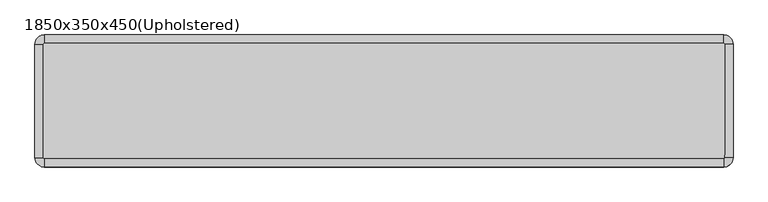
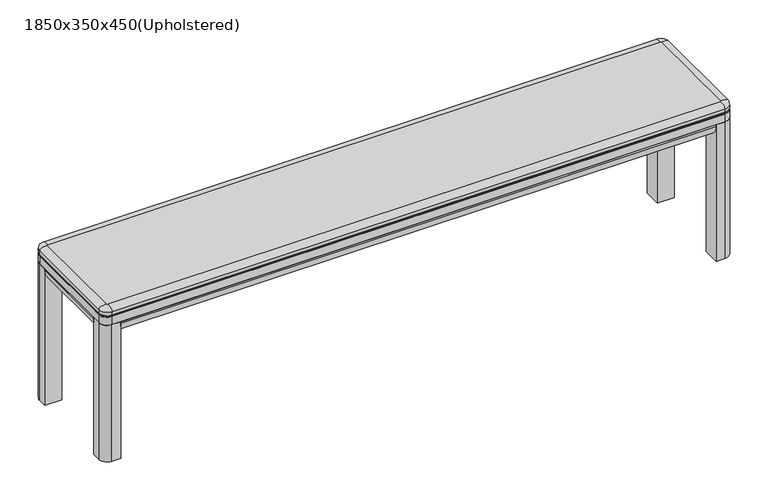
"""IFC4 building model written with IfcOpenShell, lengths in millimetres: furniture geometry, 1850x350x450(Upholstered)."""

from ifc_helpers import new_model, si_unit, point, frame, frame_2d, origin, origin_with_axes, place, context, project, spatial, polyline, circle_curve, ellipse_curve, trimmed, segment, composite_curve, outline, extrude, source, transform, mapped, element, save
from ifc_brep_helpers import plane_surface, cylinder_surface, revolved_surface, extruded_surface, spline_curve, advanced_brep


def furniture_1850x350x450_upholstered_fc9d191e(model_context):
    return source(origin(), model_context, "Body", "SolidModel", [
        extrude(outline(composite_curve([segment(polyline([(425.0, 50.0), (425.0, 0.0), (419.5872996, 0.0)]), True, "CONTINUOUS"), segment(trimmed(circle_curve(frame_2d((419.5872996, 35.0)), 35.0), [point((419.5872996, 0.0))], [point((385.0, 29.6410162))], False, "CARTESIAN"), True, "CONTINUOUS"), segment(polyline([(385.0, 29.6410162), (385.0, 50.0), (425.0, 50.0)]), True, "CONTINUOUS")], self_intersect=False)), frame((0.0, -300.0, 0.0), z_axis=(0.0, 1.0, 0.0), x_axis=(0.0, 0.0, 1.0)), (0.0, 0.0, 1.0), 250.0),
        extrude(outline(composite_curve([segment(polyline([(425.0, 1800.0), (385.0, 1800.0), (385.0, 1820.3589838)]), True, "CONTINUOUS"), segment(trimmed(circle_curve(frame_2d((419.5872996, 1815.0)), 35.0), [point((385.0, 1820.3589838))], [point((419.5872996, 1850.0))], False, "CARTESIAN"), True, "CONTINUOUS"), segment(polyline([(419.5872996, 1850.0), (425.0, 1850.0), (425.0, 1800.0)]), True, "CONTINUOUS")], self_intersect=False)), frame((0.0, -300.0, 0.0), z_axis=(0.0, 1.0, 0.0), x_axis=(0.0, 0.0, 1.0)), (0.0, 0.0, 1.0), 250.0),
        extrude(outline(composite_curve([segment(polyline([(-300.0, 425.0), (-300.0, 385.0), (-320.3589838, 385.0)]), True, "CONTINUOUS"), segment(trimmed(circle_curve(frame_2d((-315.0, 419.5872996)), 35.0), [point((-320.3589838, 385.0))], [point((-350.0, 419.5872996))], False, "CARTESIAN"), True, "CONTINUOUS"), segment(polyline([(-350.0, 419.5872996), (-350.0, 425.0), (-300.0, 425.0)]), True, "CONTINUOUS")], self_intersect=False)), frame((50.0, 0.0, 0.0), z_axis=(1.0, 0.0, 0.0), x_axis=(0.0, 1.0, 0.0)), (0.0, 0.0, 1.0), 1750.0),
        extrude(outline(composite_curve([segment(trimmed(circle_curve(frame_2d((24.5098039, -325.4901961)), 24.5098039), [point((24.5098039, -350.0))], [point((0.0, -325.4901961))], False, "CARTESIAN"), True, "CONTINUOUS"), segment(polyline([(0.0, -325.4901961), (0.0, -300.0), (50.0, -300.0), (50.0, -350.0), (24.5098039, -350.0)]), True, "CONTINUOUS")], self_intersect=False)), origin_with_axes(), (0.0, 0.0, 1.0), 425.0),
        extrude(outline(composite_curve([segment(trimmed(circle_curve(frame_2d((24.5098039, -24.5098039)), 24.5098039), [point((0.0, -24.5098039))], [point((24.5098039, 0.0))], False, "CARTESIAN"), True, "CONTINUOUS"), segment(polyline([(24.5098039, 0.0), (50.0, 0.0), (50.0, -50.0), (0.0, -50.0), (0.0, -24.5098039)]), True, "CONTINUOUS")], self_intersect=False)), origin_with_axes(), (0.0, 0.0, 1.0), 425.0),
        extrude(outline(composite_curve([segment(trimmed(circle_curve(frame_2d((1825.4901961, -24.5098039)), 24.5098039), [point((1825.4901961, 0.0))], [point((1850.0, -24.5098039))], False, "CARTESIAN"), True, "CONTINUOUS"), segment(polyline([(1850.0, -24.5098039), (1850.0, -50.0), (1800.0, -50.0), (1800.0, 0.0), (1825.4901961, 0.0)]), True, "CONTINUOUS")], self_intersect=False)), origin_with_axes(), (0.0, 0.0, 1.0), 425.0),
        extrude(outline(composite_curve([segment(trimmed(circle_curve(frame_2d((1825.4901961, -325.4901961)), 24.5098039), [point((1850.0, -325.4901961))], [point((1825.4901961, -350.0))], False, "CARTESIAN"), True, "CONTINUOUS"), segment(polyline([(1825.4901961, -350.0), (1800.0, -350.0), (1800.0, -300.0), (1850.0, -300.0), (1850.0, -325.4901961)]), True, "CONTINUOUS")], self_intersect=False)), origin_with_axes(), (0.0, 0.0, 1.0), 425.0),
        extrude(outline(composite_curve([segment(polyline([(-50.0, 425.0), (0.0, 425.0), (0.0, 419.5872996)]), True, "CONTINUOUS"), segment(trimmed(circle_curve(frame_2d((-35.0, 419.5872996)), 35.0), [point((0.0, 419.5872996))], [point((-29.6410162, 385.0))], False, "CARTESIAN"), True, "CONTINUOUS"), segment(polyline([(-29.6410162, 385.0), (-50.0, 385.0), (-50.0, 425.0)]), True, "CONTINUOUS")], self_intersect=False)), frame((50.0, 0.0, 0.0), z_axis=(1.0, 0.0, 0.0), x_axis=(0.0, 1.0, 0.0)), (0.0, 0.0, 1.0), 1750.0),
        extrude(outline(composite_curve([segment(trimmed(circle_curve(frame_2d((1825.4901961, -24.5098039)), 24.5098039), [point((1825.4901961, 0.0))], [point((1850.0, -24.5098039))], False, "CARTESIAN"), True, "CONTINUOUS"), segment(polyline([(1850.0, -24.5098039), (1850.0, -325.4901961)]), True, "CONTINUOUS"), segment(trimmed(circle_curve(frame_2d((1825.4901961, -325.4901961)), 24.5098039), [point((1850.0, -325.4901961))], [point((1825.4901961, -350.0))], False, "CARTESIAN"), True, "CONTINUOUS"), segment(polyline([(1825.4901961, -350.0), (24.5098039, -350.0)]), True, "CONTINUOUS"), segment(trimmed(circle_curve(frame_2d((24.5098039, -325.4901961)), 24.5098039), [point((24.5098039, -350.0))], [point((0.0, -325.4901961))], False, "CARTESIAN"), True, "CONTINUOUS"), segment(polyline([(0.0, -325.4901961), (0.0, -24.5098039)]), True, "CONTINUOUS"), segment(trimmed(circle_curve(frame_2d((24.5098039, -24.5098039)), 24.5098039), [point((0.0, -24.5098039))], [point((24.5098039, 0.0))], False, "CARTESIAN"), True, "CONTINUOUS"), segment(polyline([(24.5098039, 0.0), (1825.4901961, 0.0)]), True, "CONTINUOUS")], self_intersect=False)), frame((0.0, 0.0, 425.0), z_axis=(0.0, 0.0, 1.0), x_axis=(1.0, 0.0, 0.0)), (0.0, 0.0, 1.0), 25.0),
        advanced_brep(
        [(24.5098039, -22.694664, 475.0), (22.694664, -24.5098039, 475.0), (22.694664, -325.4901961, 475.0), (24.5098039, -327.305336, 475.0), (1825.4901961, -327.305336, 475.0), (1827.305336, -325.4901961, 475.0), (1827.305336, -24.5098039, 475.0), (1825.4901961, -22.694664, 475.0), (2.9103948, -24.5098039, 450.0), (24.5098039, -2.9103948, 450.0), (1825.4901961, -2.9103948, 450.0), (1847.0896052, -24.5098039, 450.0), (1847.0896052, -325.4901961, 450.0), (1825.4901961, -347.0896052, 450.0), (24.5098039, -347.0896052, 450.0), (2.9103948, -325.4901961, 450.0), (0.0, -24.5098039, 465.0), (0.0, -24.5098039, 455.0), (0.0, -325.4901961, 455.0), (0.0, -325.4901961, 465.0), (24.5098039, -350.0, 455.0), (24.5098039, -350.0, 465.0), (1825.4901961, -350.0, 455.0), (1825.4901961, -350.0, 465.0), (1850.0, -325.4901961, 455.0), (1850.0, -325.4901961, 465.0), (1850.0, -24.5098039, 455.0), (1850.0, -24.5098039, 465.0), (1825.4901961, 0.0, 455.0), (1825.4901961, 0.0, 465.0), (24.5098039, 0.0, 455.0), (24.5098039, 0.0, 465.0)],
        [
            (0, 1, circle_curve(frame((24.5098039, -24.5098039, 475.0), z_axis=(0.0, 0.0, 1.0), x_axis=(0.0, 1.0, 0.0)), 1.8151399)),
            (1, 2),
            (2, 3, circle_curve(frame((24.5098039, -325.4901961, 475.0), z_axis=(0.0, 0.0, 1.0), x_axis=(-1.0, 0.0, 0.0)), 1.8151399)),
            (3, 4),
            (4, 5, circle_curve(frame((1825.4901961, -325.4901961, 475.0), z_axis=(0.0, 0.0, 1.0), x_axis=(0.0, -1.0, 0.0)), 1.8151399)),
            (5, 6),
            (6, 7, circle_curve(frame((1825.4901961, -24.5098039, 475.0), z_axis=(0.0, 0.0, 1.0), x_axis=(1.0, 0.0, 0.0)), 1.8151399)),
            (7, 0),
            (8, 9, circle_curve(frame((24.5098039, -24.5098039, 450.0), z_axis=(0.0, 0.0, -1.0), x_axis=(0.0, 1.0, 0.0)), 21.5994091)),
            (9, 10),
            (10, 11, circle_curve(frame((1825.4901961, -24.5098039, 450.0), z_axis=(0.0, 0.0, -1.0), x_axis=(1.0, 0.0, 0.0)), 21.5994091)),
            (11, 12),
            (12, 13, circle_curve(frame((1825.4901961, -325.4901961, 450.0), z_axis=(0.0, 0.0, -1.0), x_axis=(0.0, -1.0, 0.0)), 21.5994091)),
            (13, 14),
            (14, 15, circle_curve(frame((24.5098039, -325.4901961, 450.0), z_axis=(0.0, 0.0, -1.0), x_axis=(-1.0, 0.0, 0.0)), 21.5994091)),
            (15, 8),
            (16, 17),
            (17, 18),
            (18, 19),
            (19, 16),
            (18, 20, circle_curve(frame((24.5098039, -325.4901961, 455.0), z_axis=(0.0, 0.0, 1.0), x_axis=(1.0, 0.0, 0.0)), 24.5098039)),
            (20, 21),
            (21, 19, circle_curve(frame((24.5098039, -325.4901961, 465.0), z_axis=(0.0, 0.0, -1.0), x_axis=(1.0, 0.0, 0.0)), 24.5098039)),
            (20, 22),
            (22, 23),
            (23, 21),
            (22, 24, circle_curve(frame((1825.4901961, -325.4901961, 455.0), z_axis=(0.0, 0.0, 1.0), x_axis=(1.0, 0.0, 0.0)), 24.5098039)),
            (24, 25),
            (25, 23, circle_curve(frame((1825.4901961, -325.4901961, 465.0), z_axis=(0.0, 0.0, -1.0), x_axis=(1.0, 0.0, 0.0)), 24.5098039)),
            (24, 26),
            (26, 27),
            (27, 25),
            (26, 28, circle_curve(frame((1825.4901961, -24.5098039, 455.0), z_axis=(0.0, 0.0, 1.0), x_axis=(1.0, 0.0, 0.0)), 24.5098039)),
            (28, 29),
            (29, 27, circle_curve(frame((1825.4901961, -24.5098039, 465.0), z_axis=(0.0, 0.0, -1.0), x_axis=(1.0, 0.0, 0.0)), 24.5098039)),
            (28, 30),
            (30, 31),
            (31, 29),
            (16, 31, circle_curve(frame((24.5098039, -24.5098039, 465.0), z_axis=(0.0, 0.0, -1.0), x_axis=(1.0, 0.0, 0.0)), 24.5098039)),
            (30, 17, circle_curve(frame((24.5098039, -24.5098039, 455.0), z_axis=(0.0, 0.0, 1.0), x_axis=(1.0, 0.0, 0.0)), 24.5098039)),
            (16, 1, spline_curve(3, [(0.0, -24.5098039, 465.0), (0.0, -24.5098039, 475.0), (8.074522434, -24.5098039, 474.489453407), (22.694664, -24.5098039, 475.0)], [4, 4], [0.0, 0.03578269935617781])),
            (0, 31, spline_curve(3, [(24.5098039, -22.694664, 475.0), (24.5098039, -8.074522434, 474.489453407), (24.5098039, 0.0, 475.0), (24.5098039, 0.0, 465.0)], [4, 4], [0.0, 0.03578269935617781])),
            (19, 2, spline_curve(3, [(0.0, -325.4901961, 465.0), (0.0, -325.4901961, 475.0), (8.074522434, -325.4901961, 474.489453407), (22.694664, -325.4901961, 475.0)], [4, 4], [0.0, 0.03578269935617781])),
            (21, 3, spline_curve(3, [(24.5098039, -350.0, 465.0), (24.5098039, -350.0, 475.0), (24.5098039, -341.925477566, 474.489453407), (24.5098039, -327.305336, 475.0)], [4, 4], [0.0, 0.03578269935617781])),
            (23, 4, spline_curve(3, [(1825.4901961, -350.0, 465.0), (1825.4901961, -350.0, 475.0), (1825.4901961, -341.925477566, 474.489453407), (1825.4901961, -327.305336, 475.0)], [4, 4], [0.0, 0.03578269935617781])),
            (25, 5, spline_curve(3, [(1850.0, -325.4901961, 465.0), (1850.0, -325.4901961, 475.0), (1841.925477566, -325.4901961, 474.489453407), (1827.305336, -325.4901961, 475.0)], [4, 4], [0.0, 0.03578269935617781])),
            (27, 6, spline_curve(3, [(1850.0, -24.5098039, 465.0), (1850.0, -24.5098039, 475.0), (1841.925477566, -24.5098039, 474.489453407), (1827.305336, -24.5098039, 475.0)], [4, 4], [0.0, 0.03578269935617781])),
            (29, 7, spline_curve(3, [(1825.4901961, 0.0, 465.0), (1825.4901961, 0.0, 475.0), (1825.4901961, -8.074522434, 474.489453407), (1825.4901961, -22.694664, 475.0)], [4, 4], [0.0, 0.03578269935617781])),
            (8, 17, circle_curve(frame((5.7501474, -24.5098039, 455.0), z_axis=(0.0, 1.0, 0.0), x_axis=(1.0, 0.0, 0.0)), 5.7501474)),
            (30, 9, circle_curve(frame((24.5098039, -5.7501474, 455.0), z_axis=(-1.0, 0.0, 0.0), x_axis=(0.0, -1.0, 0.0)), 5.7501474)),
            (15, 18, circle_curve(frame((5.7501474, -325.4901961, 455.0), z_axis=(0.0, 1.0, 0.0), x_axis=(1.0, 0.0, 0.0)), 5.7501474)),
            (14, 20, circle_curve(frame((24.5098039, -344.2498526, 455.0), z_axis=(-1.0, 0.0, 0.0), x_axis=(0.0, 1.0, 0.0)), 5.7501474)),
            (13, 22, circle_curve(frame((1825.4901961, -344.2498526, 455.0), z_axis=(-1.0, 0.0, 0.0), x_axis=(0.0, 1.0, 0.0)), 5.7501474)),
            (12, 24, circle_curve(frame((1844.2498526, -325.4901961, 455.0), z_axis=(0.0, -1.0, 0.0), x_axis=(-1.0, 0.0, 0.0)), 5.7501474)),
            (11, 26, circle_curve(frame((1844.2498526, -24.5098039, 455.0), z_axis=(0.0, -1.0, 0.0), x_axis=(-1.0, 0.0, 0.0)), 5.7501474)),
            (10, 28, circle_curve(frame((1825.4901961, -5.7501474, 455.0), z_axis=(1.0, 0.0, 0.0), x_axis=(0.0, -1.0, 0.0)), 5.7501474)),
        ],
        [
            plane_surface(frame((0.0, 1148.3407119, 475.0), z_axis=(0.0, 0.0, 1.0), x_axis=(0.0, -1.0, 0.0))),
            plane_surface(frame((0.0, 1148.3407119, 450.0), z_axis=(0.0, 0.0, -1.0), x_axis=(0.0, 1.0, 0.0))),
            plane_surface(frame((0.0, -24.5098039, 475.0), z_axis=(-1.0, 0.0, 0.0), x_axis=(0.0, 0.0, -1.0))),
            cylinder_surface(frame((24.5098039, -325.4901961, 450.0), z_axis=(0.0, 0.0, 1.0), x_axis=(1.0, 0.0, 0.0)), 24.5098039),
            plane_surface(frame((24.5098039, -350.0, 475.0), z_axis=(0.0, -1.0, 0.0), x_axis=(0.0, 0.0, -1.0))),
            cylinder_surface(frame((1825.4901961, -325.4901961, 450.0), z_axis=(0.0, 0.0, 1.0), x_axis=(1.0, 0.0, 0.0)), 24.5098039),
            plane_surface(frame((1850.0, -325.4901961, 475.0), z_axis=(1.0, 0.0, 0.0), x_axis=(0.0, 0.0, -1.0))),
            cylinder_surface(frame((1825.4901961, -24.5098039, 450.0), z_axis=(0.0, 0.0, 1.0), x_axis=(1.0, 0.0, 0.0)), 24.5098039),
            plane_surface(frame((1825.4901961, 0.0, 475.0), z_axis=(0.0, 1.0, 0.0), x_axis=(0.0, 0.0, -1.0))),
            cylinder_surface(frame((24.5098039, -24.5098039, 450.0), z_axis=(0.0, 0.0, 1.0), x_axis=(1.0, 0.0, 0.0)), 24.5098039),
            revolved_surface(spline_curve(3, [(24.5098039, -22.694664, 475.0), (24.5098039, -8.074522434, 474.489453407), (24.5098039, 0.0, 475.0), (24.5098039, 0.0, 465.0)], [4, 4], [0.0, 0.03578269935617781]), (24.5098039, -24.5098039, 450.0), (0.0, 0.0, 1.0)),
            extruded_surface(spline_curve(3, [(22.694664, -24.5098039, 475.0), (8.074522434, -24.5098039, 474.489453407), (0.0, -24.5098039, 475.0), (0.0, -24.5098039, 465.0)], [4, 4], [0.0, 0.03578269935617781]), (0.0, -300.9803922, 0.0), 300.9803922),
            revolved_surface(spline_curve(3, [(22.694664, -325.4901961, 475.0), (8.074522434, -325.4901961, 474.489453407), (0.0, -325.4901961, 475.0), (0.0, -325.4901961, 465.0)], [4, 4], [0.0, 0.03578269935617781]), (24.5098039, -325.4901961, 450.0), (0.0, 0.0, 1.0)),
            extruded_surface(spline_curve(3, [(24.5098039, -327.305336, 475.0), (24.5098039, -341.925477566, 474.489453407), (24.5098039, -350.0, 475.0), (24.5098039, -350.0, 465.0)], [4, 4], [0.0, 0.03578269935617781]), (1800.9803922, 0.0, 0.0), 1800.9803922),
            revolved_surface(spline_curve(3, [(1825.4901961, -327.305336, 475.0), (1825.4901961, -341.925477566, 474.489453407), (1825.4901961, -350.0, 475.0), (1825.4901961, -350.0, 465.0)], [4, 4], [0.0, 0.03578269935617781]), (1825.4901961, -325.4901961, 450.0), (0.0, 0.0, 1.0)),
            extruded_surface(spline_curve(3, [(1827.305336, -325.4901961, 475.0), (1841.925477566, -325.4901961, 474.489453407), (1850.0, -325.4901961, 475.0), (1850.0, -325.4901961, 465.0)], [4, 4], [0.0, 0.03578269935617781]), (0.0, 300.9803922, 0.0), 300.9803922),
            revolved_surface(spline_curve(3, [(1827.305336, -24.5098039, 475.0), (1841.925477566, -24.5098039, 474.489453407), (1850.0, -24.5098039, 475.0), (1850.0, -24.5098039, 465.0)], [4, 4], [0.0, 0.03578269935617781]), (1825.4901961, -24.5098039, 450.0), (0.0, 0.0, 1.0)),
            extruded_surface(spline_curve(3, [(1825.4901961, -22.694664, 475.0), (1825.4901961, -8.074522434, 474.489453407), (1825.4901961, 0.0, 475.0), (1825.4901961, 0.0, 465.0)], [4, 4], [0.0, 0.03578269935617781]), (-1800.9803922, 0.0, 0.0), 1800.9803922),
            revolved_surface(trimmed(ellipse_curve(frame((24.5098039, -5.7501474, 455.0), z_axis=(1.0, 0.0, 0.0), x_axis=(0.0, -1.0, 0.0)), 5.7501474, 5.7501474), [point((24.5098039, -2.9103948, 450.0))], [point((24.5098039, 0.0, 455.0))], True, "CARTESIAN"), (24.5098039, -24.5098039, 450.0), (0.0, 0.0, 1.0)),
            cylinder_surface(frame((5.7501474, -24.5098039, 455.0), z_axis=(0.0, -1.0, 0.0), x_axis=(1.0, 0.0, 0.0)), 5.7501474),
            revolved_surface(trimmed(ellipse_curve(frame((5.7501474, -325.4901961, 455.0), z_axis=(0.0, 1.0, 0.0), x_axis=(1.0, 0.0, 0.0)), 5.7501474, 5.7501474), [point((2.9103948, -325.4901961, 450.0))], [point((0.0, -325.4901961, 455.0))], True, "CARTESIAN"), (24.5098039, -325.4901961, 450.0), (0.0, 0.0, 1.0)),
            cylinder_surface(frame((24.5098039, -344.2498526, 455.0), z_axis=(1.0, 0.0, 0.0), x_axis=(0.0, 1.0, 0.0)), 5.7501474),
            revolved_surface(trimmed(ellipse_curve(frame((1825.4901961, -344.2498526, 455.0), z_axis=(-1.0, 0.0, 0.0), x_axis=(0.0, 1.0, 0.0)), 5.7501474, 5.7501474), [point((1825.4901961, -347.0896052, 450.0))], [point((1825.4901961, -350.0, 455.0))], True, "CARTESIAN"), (1825.4901961, -325.4901961, 450.0), (0.0, 0.0, 1.0)),
            cylinder_surface(frame((1844.2498526, -325.4901961, 455.0), z_axis=(0.0, 1.0, 0.0), x_axis=(-1.0, 0.0, 0.0)), 5.7501474),
            revolved_surface(trimmed(ellipse_curve(frame((1844.2498526, -24.5098039, 455.0), z_axis=(0.0, -1.0, 0.0), x_axis=(-1.0, 0.0, 0.0)), 5.7501474, 5.7501474), [point((1847.0896052, -24.5098039, 450.0))], [point((1850.0, -24.5098039, 455.0))], True, "CARTESIAN"), (1825.4901961, -24.5098039, 450.0), (0.0, 0.0, 1.0)),
            cylinder_surface(frame((1825.4901961, -5.7501474, 455.0), z_axis=(-1.0, 0.0, 0.0), x_axis=(0.0, -1.0, 0.0)), 5.7501474),
        ],
        [
            (0, [[1, 2, 3, 4, 5, 6, 7, 8]]),
            (1, [[9, 10, 11, 12, 13, 14, 15, 16]]),
            (2, [[17, 18, 19, 20]]),
            (3, [[-19, 21, 22, 23]]),
            (4, [[-22, 24, 25, 26]]),
            (5, [[-25, 27, 28, 29]]),
            (6, [[-28, 30, 31, 32]]),
            (7, [[-31, 33, 34, 35]]),
            (8, [[-34, 36, 37, 38]]),
            (9, [[-17, 39, -37, 40]]),
            (10, [[41, -1, 42, -39]], False),
            (11, [[-41, -20, 43, -2]]),
            (12, [[-43, -23, 44, -3]], False),
            (13, [[-44, -26, 45, -4]]),
            (14, [[-45, -29, 46, -5]], False),
            (15, [[-46, -32, 47, -6]]),
            (16, [[-47, -35, 48, -7]], False),
            (17, [[-42, -8, -48, -38]]),
            (18, [[49, -40, 50, -9]]),
            (19, [[-49, -16, 51, -18]]),
            (20, [[-51, -15, 52, -21]]),
            (21, [[-52, -14, 53, -24]]),
            (22, [[-53, -13, 54, -27]]),
            (23, [[-54, -12, 55, -30]]),
            (24, [[-55, -11, 56, -33]]),
            (25, [[-50, -36, -56, -10]]),
        ],
    ),
    ])


if __name__ == "__main__":
    model = new_model("IFC4")
    model_context = context("Model", 3, world=origin())
    ifc_project = project(units=[si_unit("LENGTHUNIT", "METRE", prefix="MILLI")], contexts=[model_context])
    site = spatial("IfcSite", under=ifc_project)
    building = spatial("IfcBuilding", under=site)
    placement = place(None, origin())
    furniture_1850x350x450_upholstered_shape = furniture_1850x350x450_upholstered_fc9d191e(model_context)
    element("IfcFurniture", 1, ObjectType="1850x350x450(Upholstered)", at=placement, inside=building, context=model_context, shape_type="MappedRepresentation", body=[
        mapped(furniture_1850x350x450_upholstered_shape, transform((0.0, 0.0, 0.0), x_axis=(1.0, 0.0, 0.0), y_axis=(0.0, 1.0, 0.0), z_axis=(0.0, 0.0, 1.0))),
    ])
    save(model, "model.ifc")
